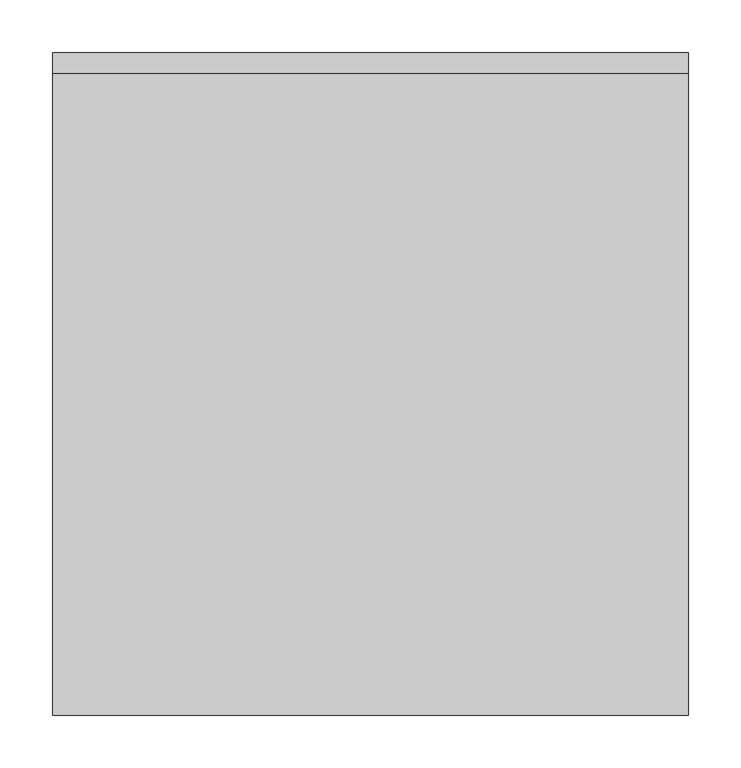
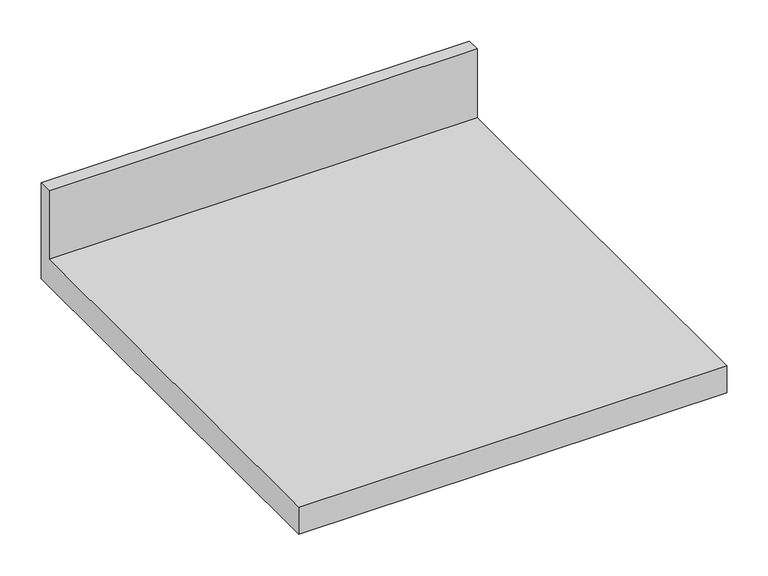
"""IFC4 building model written with IfcOpenShell, lengths in millimetres: furniture geometry."""

from ifc_helpers import new_model, si_unit, frame, origin, place, context, project, spatial, polyline, outline, extrude, source, transform, mapped, element, save


def furniture_bde0755c(model_context):
    return source(origin(), model_context, "Body", "SweptSolid", [
        extrude(outline(polyline([(0.0, 1001.6), (0.0, 860.0), (-625.0, 860.0), (-625.0, 900.0), (-19.05, 900.0), (-19.05, 1001.6), (0.0, 1001.6)])), frame((-1200.4622951, 0.0, 0.0), z_axis=(1.0, 0.0, 0.0), x_axis=(0.0, 1.0, 0.0)), (0.0, 0.0, 1.0), 600.0),
    ])


if __name__ == "__main__":
    model = new_model("IFC4")
    model_context = context("Model", 3, world=origin())
    ifc_project = project(units=[si_unit("LENGTHUNIT", "METRE", prefix="MILLI")], contexts=[model_context])
    site = spatial("IfcSite", under=ifc_project)
    building = spatial("IfcBuilding", under=site)
    placement = place(None, origin())
    furniture_shape = furniture_bde0755c(model_context)
    element("IfcFurniture", 1, at=placement, inside=building, context=model_context, shape_type="MappedRepresentation", body=[
        mapped(furniture_shape, transform((0.0, 0.0, 0.0), x_axis=(1.0, 0.0, 0.0), y_axis=(0.0, 1.0, 0.0), z_axis=(0.0, 0.0, 1.0))),
    ])
    save(model, "model.ifc")
